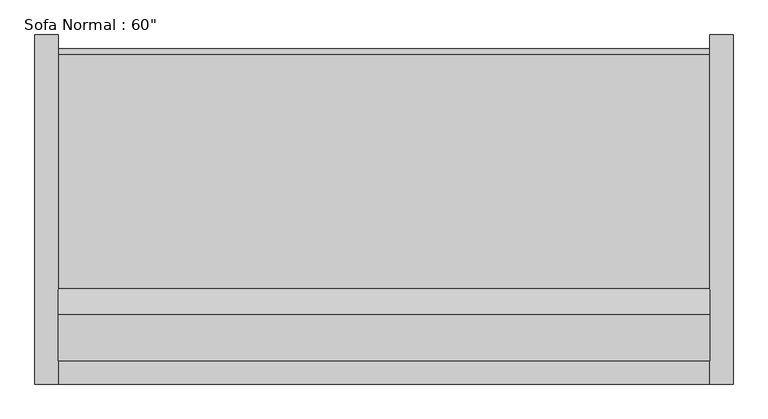
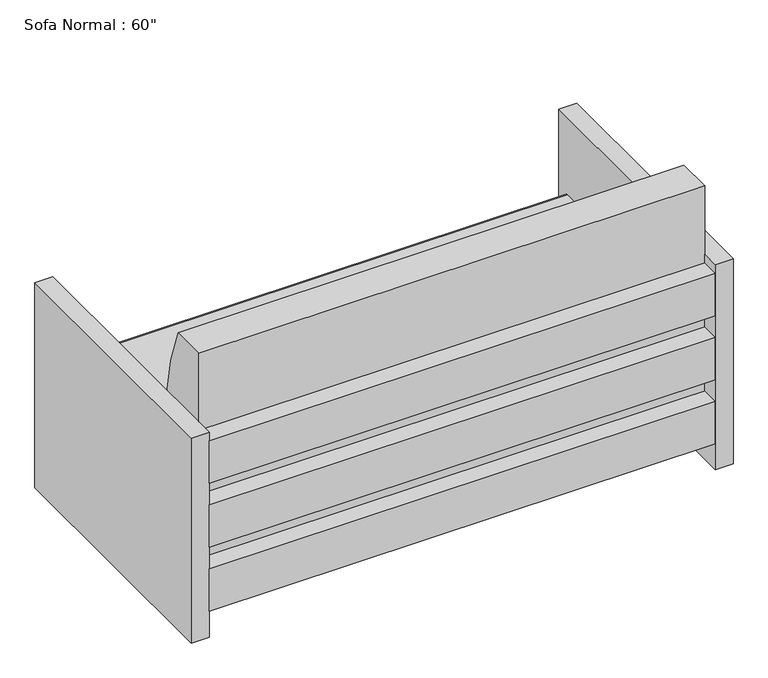
"""IFC4 building model written with IfcOpenShell, lengths in millimetres: furniture geometry."""

from ifc_helpers import new_model, si_unit, point, frame, frame_2d, origin, origin_with_axes, place, context, project, spatial, polyline, circle_curve, trimmed, segment, composite_curve, outline, extrude, source, transform, mapped, element, save


def furniture_3325cb89(model_context):
    return source(origin(), model_context, "Body", "SweptSolid", [
        extrude(outline(composite_curve([segment(polyline([(-336.9764935, 381.0), (192.3238423, 381.0)]), True, "CONTINUOUS"), segment(trimmed(circle_curve(frame_2d((192.3238423, 368.3)), 12.7), [point((192.3238423, 381.0))], [point((204.975515, 367.1931221))], False, "CARTESIAN"), True, "CONTINUOUS"), segment(polyline([(204.975515, 367.1931221), (184.0459016, 127.9665467), (-476.3540984, 127.9665467), (-476.3540984, 812.8), (-374.7540984, 812.8)]), True, "CONTINUOUS"), segment(trimmed(circle_curve(frame_2d((-977.317198, 542.5300036)), 660.4), [point((-374.7540984, 812.8))], [point((-336.9764935, 381.0))], False, "CARTESIAN"), True, "CONTINUOUS")], self_intersect=False)), frame((-640.8295082, 0.0, 0.0), z_axis=(1.0, 0.0, 0.0), x_axis=(0.0, 1.0, 0.0)), (0.0, 0.0, 1.0), 1422.4),
        extrude(outline(polyline([(-640.8295082, -476.3540984), (781.5704918, -476.3540984), (781.5704918, -527.1540984), (-640.8295082, -527.1540984), (-640.8295082, -476.3540984)])), frame((0.0, 0.0, 457.2), z_axis=(0.0, 0.0, 1.0), x_axis=(1.0, 0.0, 0.0)), (0.0, 0.0, 1.0), 127.0),
        extrude(outline(polyline([(-640.8295082, -476.3540984), (781.5704918, -476.3540984), (781.5704918, -527.1540984), (-640.8295082, -527.1540984), (-640.8295082, -476.3540984)])), frame((0.0, 0.0, 266.7), z_axis=(0.0, 0.0, 1.0), x_axis=(1.0, 0.0, 0.0)), (0.0, 0.0, 1.0), 127.0),
        extrude(outline(polyline([(-640.8295082, -476.3540984), (781.5704918, -476.3540984), (781.5704918, -527.1540984), (-640.8295082, -527.1540984), (-640.8295082, -476.3540984)])), frame((0.0, 0.0, 76.2), z_axis=(0.0, 0.0, 1.0), x_axis=(1.0, 0.0, 0.0)), (0.0, 0.0, 1.0), 127.0),
        extrude(outline(polyline([(-691.6295082, -527.1540984), (-691.6295082, 234.8459016), (-640.8295082, 234.8459016), (-640.8295082, -527.1540984), (-691.6295082, -527.1540984)])), origin_with_axes(), (0.0, 0.0, 1.0), 609.6),
        extrude(outline(polyline([(832.3704918, -527.1540984), (781.5704918, -527.1540984), (781.5704918, 234.8459016), (832.3704918, 234.8459016), (832.3704918, -527.1540984)])), origin_with_axes(), (0.0, 0.0, 1.0), 609.6),
    ])


if __name__ == "__main__":
    model = new_model("IFC4")
    model_context = context("Model", 3, world=origin())
    ifc_project = project(units=[si_unit("LENGTHUNIT", "METRE", prefix="MILLI")], contexts=[model_context])
    site = spatial("IfcSite", under=ifc_project)
    building = spatial("IfcBuilding", under=site)
    placement = place(None, origin())
    furniture_shape = furniture_3325cb89(model_context)
    element("IfcFurniture", 1, ObjectType="Sofa Normal : 60\"", at=placement, inside=building, context=model_context, shape_type="MappedRepresentation", body=[
        mapped(furniture_shape, transform((0.0, 0.0, 0.0), x_axis=(1.0, 0.0, 0.0), y_axis=(0.0, 1.0, 0.0), z_axis=(0.0, 0.0, 1.0))),
    ])
    save(model, "model.ifc")
